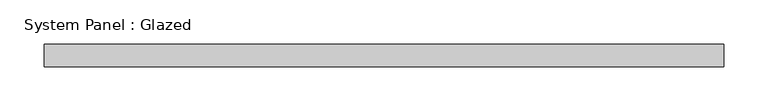
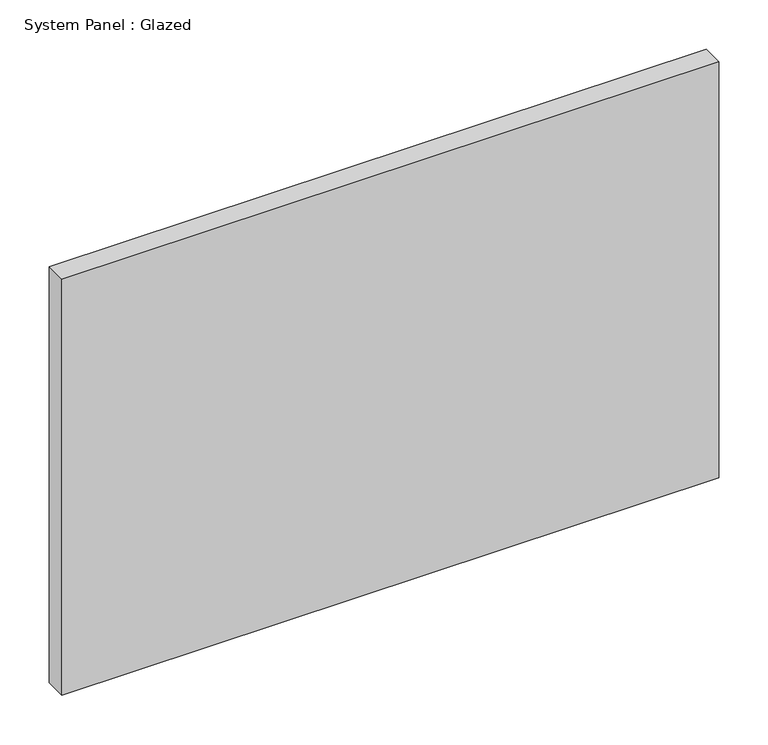
"""IFC4 building model written with IfcOpenShell, lengths in millimetres: plate geometry, System Panel : Glazed."""

from ifc_helpers import new_model, si_unit, origin, origin_with_axes, place, context, project, spatial, polyline, outline, extrude, source, transform, mapped, element, save


def system_panel_glazed_59ce6fae(model_context):
    return source(origin(), model_context, "Body", "SweptSolid", [
        extrude(outline(polyline([(384.175, 19.05), (-384.175, 19.05), (-384.175, 44.45), (384.175, 44.45), (384.175, 19.05)])), origin_with_axes(), (0.0, 0.0, 1.0), 514.35),
    ])


if __name__ == "__main__":
    model = new_model("IFC4")
    model_context = context("Model", 3, world=origin())
    ifc_project = project(units=[si_unit("LENGTHUNIT", "METRE", prefix="MILLI")], contexts=[model_context])
    site = spatial("IfcSite", under=ifc_project)
    building = spatial("IfcBuilding", under=site)
    placement = place(None, origin())
    system_panel_glazed_shape = system_panel_glazed_59ce6fae(model_context)
    element("IfcPlate", 1, ObjectType="System Panel : Glazed", at=placement, inside=building, context=model_context, shape_type="MappedRepresentation", body=[
        mapped(system_panel_glazed_shape, transform((0.0, 0.0, 0.0), x_axis=(1.0, 0.0, 0.0), y_axis=(0.0, 1.0, 0.0), z_axis=(0.0, 0.0, 1.0))),
    ])
    save(model, "model.ifc")
